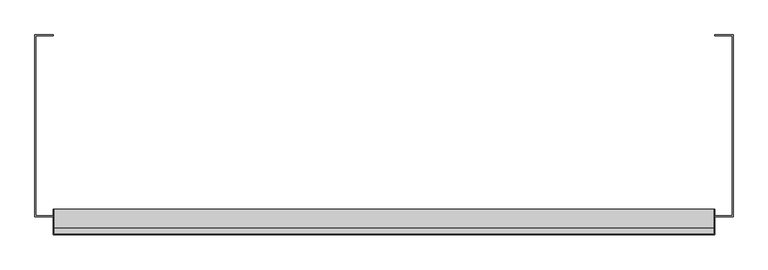
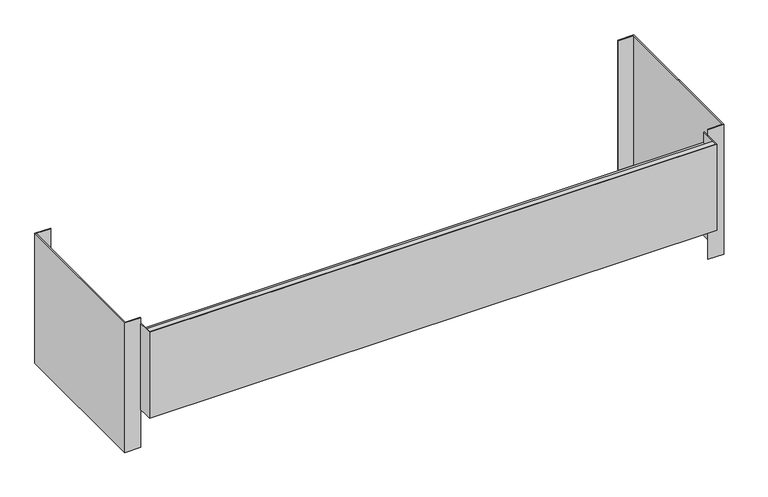
"""IFC4 building model written with IfcOpenShell, lengths in millimetres: furniture geometry."""

from ifc_helpers import new_model, si_unit, frame, origin, place, context, project, spatial, polyline, outline, extrude, source, transform, mapped, element, save


def furniture_fb4d2ba9(model_context):
    return source(origin(), model_context, "Body", "SweptSolid", [
        extrude(outline(polyline([(-609.6, -126.20625), (-577.8500008, -126.20625), (-577.8500008, -127.79375), (-608.0125, -127.79375), (-608.0125, -442.1187621), (-577.8500008, -442.1187621), (-577.8500008, -443.7062621), (-609.6, -443.7062621), (-609.6, -126.20625)])), frame((0.0, 0.0, 415.12998), z_axis=(0.0, 0.0, 1.0), x_axis=(1.0, 0.0, 0.0)), (0.0, 0.0, 1.0), 279.4),
        extrude(outline(polyline([(577.8500121, -126.20625), (609.6, -126.20625), (609.6, -443.7062621), (577.8500121, -443.7062621), (577.8500121, -442.1187621), (608.0125, -442.1187621), (608.0125, -127.79375), (577.8500121, -127.79375), (577.8500121, -126.20625)])), frame((0.0, 0.0, 415.12998), z_axis=(0.0, 0.0, 1.0), x_axis=(1.0, 0.0, 0.0)), (0.0, 0.0, 1.0), 279.4),
        extrude(outline(polyline([(577.8500121, -431.0062561), (577.8500121, -475.45625), (-577.8500008, -475.45625), (-577.8500008, -431.0062561), (-576.2625008, -431.0062561), (-576.2625008, -473.86875), (576.2625121, -473.86875), (576.2625121, -431.0062561), (577.8500121, -431.0062561)])), frame((0.0, 0.0, 497.6799679), z_axis=(0.0, 0.0, 1.0), x_axis=(1.0, 0.0, 0.0)), (0.0, 0.0, 1.0), 184.1500242),
        extrude(outline(polyline([(576.2625121, -463.5182614), (576.2625121, -473.86875), (-576.2625008, -473.86875), (-576.2625008, -463.5182614), (576.2625121, -463.5182614)])), frame((0.0, 0.0, 672.3049921), z_axis=(0.0, 0.0, 1.0), x_axis=(1.0, 0.0, 0.0)), (0.0, 0.0, 1.0), 9.525),
        extrude(outline(polyline([(576.2625121, -431.0062561), (576.2625121, -473.86875), (-576.2625008, -473.86875), (-576.2625008, -431.0062561), (576.2625121, -431.0062561)])), frame((0.0, 0.0, 497.6799679), z_axis=(0.0, 0.0, 1.0), x_axis=(1.0, 0.0, 0.0)), (0.0, 0.0, 1.0), 161.9250363),
    ])


if __name__ == "__main__":
    model = new_model("IFC4")
    model_context = context("Model", 3, world=origin())
    ifc_project = project(units=[si_unit("LENGTHUNIT", "METRE", prefix="MILLI")], contexts=[model_context])
    site = spatial("IfcSite", under=ifc_project)
    building = spatial("IfcBuilding", under=site)
    placement = place(None, origin())
    furniture_shape = furniture_fb4d2ba9(model_context)
    element("IfcFurniture", 1, at=placement, inside=building, context=model_context, shape_type="MappedRepresentation", body=[
        mapped(furniture_shape, transform((0.0, 0.0, 0.0), x_axis=(1.0, 0.0, 0.0), y_axis=(0.0, 1.0, 0.0), z_axis=(0.0, 0.0, 1.0))),
    ])
    save(model, "model.ifc")
